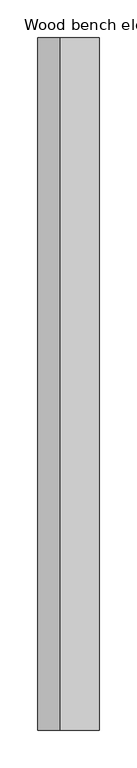
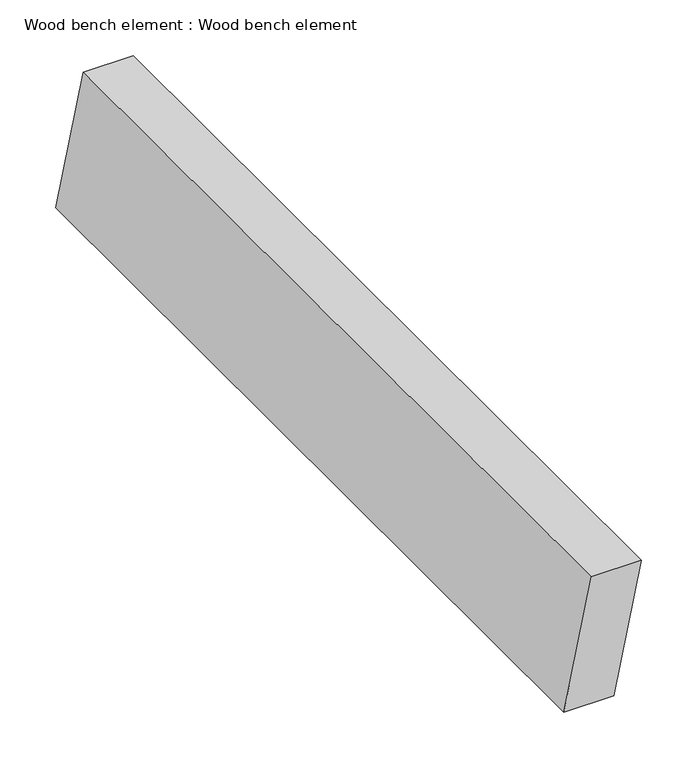
"""IFC4 building model written with IfcOpenShell, lengths in millimetres: proxy geometry, Wood bench element : Wood bench element."""

from ifc_helpers import new_model, si_unit, frame, origin, place, context, project, spatial, polyline, outline, extrude, source, transform, mapped, element, save


def wood_bench_element_wood_bench_element_9181db2d(model_context):
    return source(origin(), model_context, "Body", "SweptSolid", [
        extrude(outline(polyline([(762.1420166, 37919.0550437), (762.1420166, 37867.1643225), (623.3062768, 37838.2402101), (623.3062768, 37890.1309312), (762.1420166, 37919.0550437)])), frame((0.0, -19576.8264268, 0.0), z_axis=(0.0, 1.0, 0.0), x_axis=(0.0, 0.0, 1.0)), (0.0, 0.0, 1.0), 914.4),
    ])


if __name__ == "__main__":
    model = new_model("IFC4")
    model_context = context("Model", 3, world=origin())
    ifc_project = project(units=[si_unit("LENGTHUNIT", "METRE", prefix="MILLI")], contexts=[model_context])
    site = spatial("IfcSite", under=ifc_project)
    building = spatial("IfcBuilding", under=site)
    placement = place(None, origin())
    wood_bench_element_wood_bench_element_shape = wood_bench_element_wood_bench_element_9181db2d(model_context)
    element("IfcBuildingElementProxy", 1, Name="Wood bench element : Wood bench element", ObjectType="Wood bench element : Wood bench element", at=placement, inside=building, context=model_context, shape_type="MappedRepresentation", body=[
        mapped(wood_bench_element_wood_bench_element_shape, transform((0.0, 0.0, 0.0), x_axis=(1.0, 0.0, 0.0), y_axis=(0.0, 1.0, 0.0), z_axis=(0.0, 0.0, 1.0))),
    ])
    save(model, "model.ifc")
